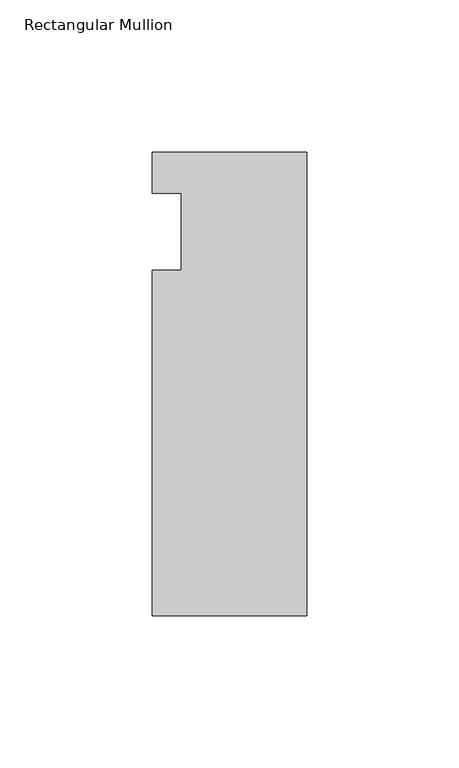
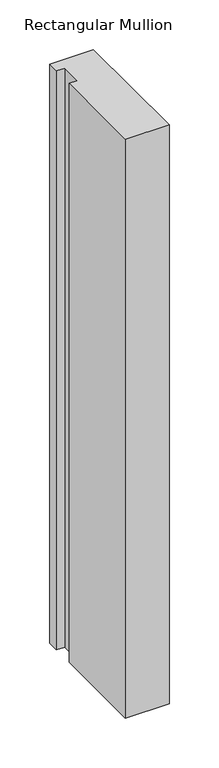
"""IFC4 building model written with IfcOpenShell, lengths in millimetres: member geometry, Rectangular Mullion."""

from ifc_helpers import new_model, si_unit, frame, origin, place, context, project, spatial, polyline, outline, extrude, source, transform, mapped, element, save


def rectangular_mullion_aa9de40c(model_context):
    return source(origin(), model_context, "Body", "SweptSolid", [
        extrude(outline(polyline([(-50.8, 26.19375), (0.0, 26.19375), (0.0, -126.20625), (-50.8, -126.20625), (-50.8, -12.7), (-41.275, -12.7), (-41.275, 12.7), (-50.8, 12.7), (-50.8, 26.19375)])), frame((0.0, 0.0, -711.2), z_axis=(0.0, 0.0, 1.0), x_axis=(1.0, 0.0, 0.0)), (0.0, 0.0, 1.0), 711.2),
    ])


if __name__ == "__main__":
    model = new_model("IFC4")
    model_context = context("Model", 3, world=origin())
    ifc_project = project(units=[si_unit("LENGTHUNIT", "METRE", prefix="MILLI")], contexts=[model_context])
    site = spatial("IfcSite", under=ifc_project)
    building = spatial("IfcBuilding", under=site)
    placement = place(None, origin())
    rectangular_mullion_shape = rectangular_mullion_aa9de40c(model_context)
    element("IfcMember", 1, ObjectType="Rectangular Mullion", at=placement, inside=building, context=model_context, shape_type="MappedRepresentation", body=[
        mapped(rectangular_mullion_shape, transform((0.0, 0.0, 0.0), x_axis=(1.0, 0.0, 0.0), y_axis=(0.0, 1.0, 0.0), z_axis=(0.0, 0.0, 1.0))),
    ])
    save(model, "model.ifc")
